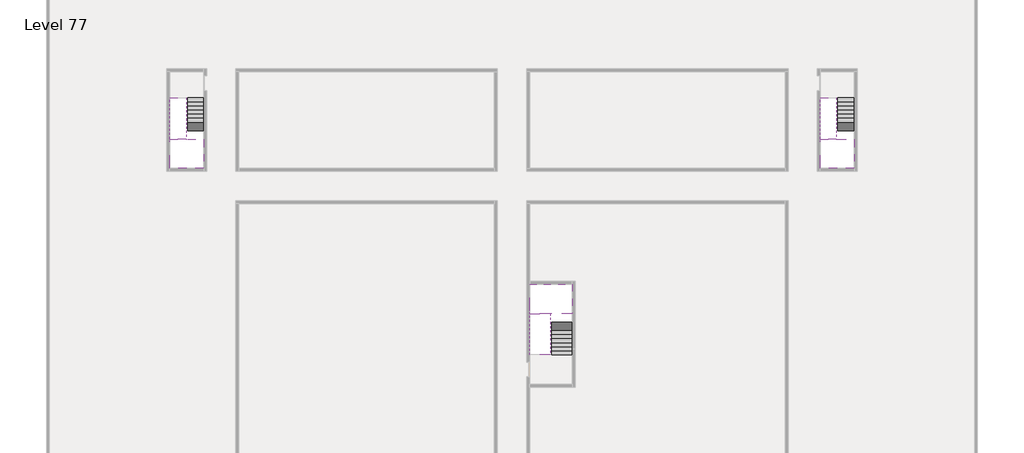
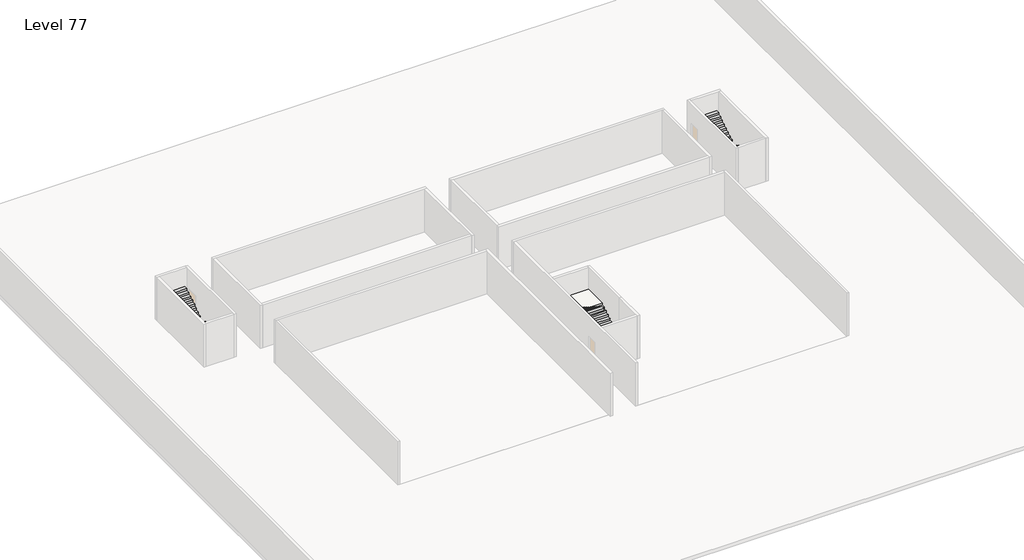
# One storey, part 2 of 2: 6 stair flights, 3 slabs.
"""IFC4 building model written with IfcOpenShell, lengths in millimetres."""

from ifc_helpers import new_model, si_unit, origin, place, context, project, spatial, faceted_brep, element, save

model = new_model("IFC4")

# Units and contexts
model_context = context("Model", 3, world=origin())
ifc_project = project(units=[si_unit("LENGTHUNIT", "METRE", prefix="MILLI")], contexts=[model_context])

# Site, building, storey
site = spatial("IfcSite", under=ifc_project)
building = spatial("IfcBuilding", under=site)
storey = spatial("IfcBuildingStorey", under=building, Name="Level 77", Elevation=288800.0)

# Slabs
placement = place(None, origin())
element("IfcSlab", 1, at=placement, inside=storey, context=model_context, shape_type="Brep", body=[
    faceted_brep([(3190.1058784, -28518.09644, 290700.0), (2090.1058784, -28518.09644, 290700.0), (1990.1058784, -28518.09644, 290700.0), (890.1058784, -28518.09644, 290700.0), (890.1058784, -28718.7100038, 290700.0), (890.1058784, -30518.09644, 290700.0), (3190.1058784, -30518.09644, 290700.0), (3190.1058784, -28597.4828763, 290700.0), (3190.1058784, -28518.09644, 290527.2727273), (3190.1058784, -28518.09644, 290351.0278478), (2090.1058784, -28518.09644, 290351.0278478), (2090.1058784, -28518.09644, 290400.0), (1990.1058784, -28518.09644, 290400.0), (1990.1058784, -28518.09644, 290523.7551205), (890.1058784, -28518.09644, 290523.7551205), (890.1058784, -28718.7100038, 290400.0), (890.1058784, -30518.09644, 290400.0), (3190.1058784, -30518.09644, 290400.0), (3190.1058784, -28597.4828763, 290400.0), (1990.1058784, -28718.7100038, 290400.0), (2090.1058784, -28597.4828763, 290400.0)], [[[0, 1, 2, 3, 4, 5, 6, 7]], [[1, 0, 8, 9, 10, 11]], [[2, 1, 11, 12, 13]], [[3, 2, 13, 14]], [[3, 14, 15, 16, 5, 4]], [[6, 5, 16, 17]], [[9, 8, 0, 7, 6, 17, 18]], [[19, 12, 11, 20, 18, 17, 16, 15]], [[12, 19, 13]], [[18, 20, 10, 9]], [[20, 11, 10]], [[19, 15, 14, 13]]]),
])
element("IfcSlab", 2, at=placement, inside=storey, context=model_context, shape_type="Brep", body=[
    faceted_brep([(47490.1058784, -28518.09644, 290700.0), (46390.1058784, -28518.09644, 290700.0), (46290.1058784, -28518.09644, 290700.0), (45190.1058784, -28518.09644, 290700.0), (45190.1058784, -28718.7100038, 290700.0), (45190.1058784, -30518.09644, 290700.0), (47490.1058784, -30518.09644, 290700.0), (47490.1058784, -28597.4828763, 290700.0), (47490.1058784, -28518.09644, 290527.2727273), (47490.1058784, -28518.09644, 290351.0278478), (46390.1058784, -28518.09644, 290351.0278478), (46390.1058784, -28518.09644, 290400.0), (46290.1058784, -28518.09644, 290400.0), (46290.1058784, -28518.09644, 290523.7551205), (45190.1058784, -28518.09644, 290523.7551205), (45190.1058784, -28718.7100038, 290400.0), (45190.1058784, -30518.09644, 290400.0), (47490.1058784, -30518.09644, 290400.0), (47490.1058784, -28597.4828763, 290400.0), (46290.1058784, -28718.7100038, 290400.0), (46390.1058784, -28597.4828763, 290400.0)], [[[0, 1, 2, 3, 4, 5, 6, 7]], [[1, 0, 8, 9, 10, 11]], [[2, 1, 11, 12, 13]], [[3, 2, 13, 14]], [[3, 14, 15, 16, 5, 4]], [[6, 5, 16, 17]], [[9, 8, 0, 7, 6, 17, 18]], [[19, 12, 11, 20, 18, 17, 16, 15]], [[12, 19, 13]], [[18, 20, 10, 9]], [[20, 11, 10]], [[19, 15, 14, 13]]]),
])
element("IfcSlab", 3, at=placement, inside=storey, context=model_context, shape_type="Brep", body=[
    faceted_brep([(26890.1058784, -40418.09644, 290700.0), (28290.1058784, -40418.09644, 290700.0), (28290.1058784, -40338.7100038, 290700.0), (28290.1058784, -38418.09644, 290700.0), (25390.1058784, -38418.09644, 290700.0), (25390.1058784, -40217.4828763, 290700.0), (25390.1058784, -40418.09644, 290700.0), (26790.1058784, -40418.09644, 290700.0), (26890.1058784, -40418.09644, 290400.0), (26890.1058784, -40418.09644, 290351.0278478), (28290.1058784, -40418.09644, 290351.0278478), (28290.1058784, -40418.09644, 290527.2727273), (28290.1058784, -40338.7100038, 290400.0), (28290.1058784, -38418.09644, 290400.0), (25390.1058784, -38418.09644, 290400.0), (25390.1058784, -40217.4828763, 290400.0), (25390.1058784, -40418.09644, 290523.7551205), (26790.1058784, -40418.09644, 290523.7551205), (26790.1058784, -40418.09644, 290400.0), (26790.1058784, -40217.4828763, 290400.0), (26890.1058784, -40338.7100038, 290400.0)], [[[0, 1, 2, 3, 4, 5, 6, 7]], [[1, 0, 8, 9, 10, 11]], [[1, 11, 10, 12, 13, 3, 2]], [[4, 3, 13, 14]], [[4, 14, 15, 16, 6, 5]], [[7, 6, 16, 17]], [[0, 7, 17, 18, 8]], [[18, 19, 15, 14, 13, 12, 20, 8]], [[19, 18, 17]], [[20, 12, 10, 9]], [[8, 20, 9]], [[15, 19, 17, 16]]]),
])

# Stair flights
element("IfcStairFlight", 4, at=placement, inside=storey, context=model_context, shape_type="Brep", body=[
    faceted_brep([(3190.1058784, -25998.09644, 288972.7272727), (3190.1058784, -25718.09644, 288972.7272727), (2090.1058784, -25718.09644, 288972.7272727), (2090.1058784, -25998.09644, 288972.7272727), (3190.1058784, -25998.09644, 288800.0), (3190.1058784, -25718.09644, 288800.0), (2090.1058784, -25718.09644, 288800.0), (2090.1058784, -25998.09644, 288800.0), (3190.1058784, -26278.09644, 289145.4545455), (3190.1058784, -25998.09644, 289145.4545455), (2090.1058784, -25998.09644, 289145.4545455), (2090.1058784, -26278.09644, 289145.4545455), (3190.1058784, -26278.09644, 288969.209666), (3190.1058784, -26003.7986657, 288800.0), (2090.1058784, -26003.7986657, 288800.0), (2090.1058784, -26278.09644, 288969.209666), (3190.1058784, -26558.09644, 289318.1818182), (3190.1058784, -26278.09644, 289318.1818182), (2090.1058784, -26278.09644, 289318.1818182), (2090.1058784, -26558.09644, 289318.1818182), (3190.1058784, -26558.09644, 289141.9369387), (2090.1058784, -26558.09644, 289141.9369387), (3190.1058784, -26838.09644, 289490.9090909), (3190.1058784, -26558.09644, 289490.9090909), (2090.1058784, -26558.09644, 289490.9090909), (2090.1058784, -26838.09644, 289490.9090909), (3190.1058784, -26838.09644, 289314.6642114), (2090.1058784, -26838.09644, 289314.6642114), (3190.1058784, -27118.09644, 289663.6363636), (3190.1058784, -26838.09644, 289663.6363636), (2090.1058784, -26838.09644, 289663.6363636), (2090.1058784, -27118.09644, 289663.6363636), (3190.1058784, -27118.09644, 289487.3914841), (2090.1058784, -27118.09644, 289487.3914841), (3190.1058784, -27398.09644, 289836.3636364), (3190.1058784, -27118.09644, 289836.3636364), (2090.1058784, -27118.09644, 289836.3636364), (2090.1058784, -27398.09644, 289836.3636364), (3190.1058784, -27398.09644, 289660.1187569), (2090.1058784, -27398.09644, 289660.1187569), (3190.1058784, -27678.09644, 290009.0909091), (3190.1058784, -27398.09644, 290009.0909091), (2090.1058784, -27398.09644, 290009.0909091), (2090.1058784, -27678.09644, 290009.0909091), (3190.1058784, -27678.09644, 289832.8460296), (2090.1058784, -27678.09644, 289832.8460296), (3190.1058784, -27958.09644, 290181.8181818), (3190.1058784, -27678.09644, 290181.8181818), (2090.1058784, -27678.09644, 290181.8181818), (2090.1058784, -27958.09644, 290181.8181818), (3190.1058784, -27958.09644, 290005.5733023), (2090.1058784, -27958.09644, 290005.5733023), (3190.1058784, -28238.09644, 290354.5454545), (3190.1058784, -27958.09644, 290354.5454545), (2090.1058784, -27958.09644, 290354.5454545), (2090.1058784, -28238.09644, 290354.5454545), (3190.1058784, -28238.09644, 290178.3005751), (2090.1058784, -28238.09644, 290178.3005751), (3190.1058784, -28518.09644, 290527.2727273), (3190.1058784, -28238.09644, 290527.2727273), (2090.1058784, -28238.09644, 290527.2727273), (2090.1058784, -28518.09644, 290527.2727273), (3190.1058784, -28518.09644, 290351.0278478), (2090.1058784, -28518.09644, 290351.0278478), (2090.1058784, -28518.09644, 290400.0)], [[[0, 1, 2, 3]], [[1, 0, 4, 5]], [[2, 1, 5, 6]], [[3, 2, 6, 7]], [[8, 9, 10, 11]], [[4, 0, 9, 8, 12, 13]], [[0, 3, 10, 9]], [[3, 7, 14, 15, 11, 10]], [[16, 17, 18, 19]], [[17, 16, 20, 12, 8]], [[8, 11, 18, 17]], [[19, 18, 11, 15, 21]], [[22, 23, 24, 25]], [[23, 22, 26, 20, 16]], [[16, 19, 24, 23]], [[25, 24, 19, 21, 27]], [[28, 29, 30, 31]], [[29, 28, 32, 26, 22]], [[22, 25, 30, 29]], [[31, 30, 25, 27, 33]], [[34, 35, 36, 37]], [[35, 34, 38, 32, 28]], [[28, 31, 36, 35]], [[37, 36, 31, 33, 39]], [[40, 41, 42, 43]], [[41, 40, 44, 38, 34]], [[34, 37, 42, 41]], [[43, 42, 37, 39, 45]], [[46, 47, 48, 49]], [[47, 46, 50, 44, 40]], [[40, 43, 48, 47]], [[49, 48, 43, 45, 51]], [[52, 53, 54, 55]], [[53, 52, 56, 50, 46]], [[46, 49, 54, 53]], [[55, 54, 49, 51, 57]], [[58, 59, 60, 61]], [[59, 58, 62, 56, 52]], [[52, 55, 60, 59]], [[61, 60, 55, 57, 63, 64]], [[58, 61, 64, 63, 62]], [[5, 4, 13, 14, 7, 6]], [[14, 13, 12, 20, 26, 32, 38, 44, 50, 56, 62, 63, 57, 51, 45, 39, 33, 27, 21, 15]]]),
])
element("IfcStairFlight", 5, at=placement, inside=storey, context=model_context, shape_type="Brep", body=[
    faceted_brep([(890.1058784, -28238.09644, 290872.7272727), (890.1058784, -28518.09644, 290872.7272727), (1990.1058784, -28518.09644, 290872.7272727), (1990.1058784, -28238.09644, 290872.7272727), (890.1058784, -28238.09644, 290696.4823932), (890.1058784, -28518.09644, 290523.7551205), (890.1058784, -28518.09644, 290700.0), (1990.1058784, -28518.09644, 290523.7551205), (1990.1058784, -28238.09644, 290696.4823932), (890.1058784, -27958.09644, 291045.4545455), (890.1058784, -28238.09644, 291045.4545455), (1990.1058784, -28238.09644, 291045.4545455), (1990.1058784, -27958.09644, 291045.4545455), (890.1058784, -27958.09644, 290869.209666), (1990.1058784, -27958.09644, 290869.209666), (890.1058784, -27678.09644, 291218.1818182), (890.1058784, -27958.09644, 291218.1818182), (1990.1058784, -27958.09644, 291218.1818182), (1990.1058784, -27678.09644, 291218.1818182), (890.1058784, -27678.09644, 291041.9369387), (1990.1058784, -27678.09644, 291041.9369387), (890.1058784, -27398.09644, 291390.9090909), (890.1058784, -27678.09644, 291390.9090909), (1990.1058784, -27678.09644, 291390.9090909), (1990.1058784, -27398.09644, 291390.9090909), (890.1058784, -27398.09644, 291214.6642114), (1990.1058784, -27398.09644, 291214.6642114), (890.1058784, -27118.09644, 291563.6363636), (890.1058784, -27398.09644, 291563.6363636), (1990.1058784, -27398.09644, 291563.6363636), (1990.1058784, -27118.09644, 291563.6363636), (890.1058784, -27118.09644, 291387.3914841), (1990.1058784, -27118.09644, 291387.3914841), (890.1058784, -26838.09644, 291736.3636364), (890.1058784, -27118.09644, 291736.3636364), (1990.1058784, -27118.09644, 291736.3636364), (1990.1058784, -26838.09644, 291736.3636364), (890.1058784, -26838.09644, 291560.1187569), (1990.1058784, -26838.09644, 291560.1187569), (890.1058784, -26558.09644, 291909.0909091), (890.1058784, -26838.09644, 291909.0909091), (1990.1058784, -26838.09644, 291909.0909091), (1990.1058784, -26558.09644, 291909.0909091), (890.1058784, -26558.09644, 291732.8460296), (1990.1058784, -26558.09644, 291732.8460296), (890.1058784, -26278.09644, 292081.8181818), (890.1058784, -26558.09644, 292081.8181818), (1990.1058784, -26558.09644, 292081.8181818), (1990.1058784, -26278.09644, 292081.8181818), (890.1058784, -26278.09644, 291905.5733023), (1990.1058784, -26278.09644, 291905.5733023), (890.1058784, -25998.09644, 292254.5454545), (890.1058784, -26278.09644, 292254.5454545), (1990.1058784, -26278.09644, 292254.5454545), (1990.1058784, -25998.09644, 292254.5454545), (890.1058784, -25998.09644, 292078.3005751), (1990.1058784, -25998.09644, 292078.3005751), (890.1058784, -25718.09644, 292427.2727273), (890.1058784, -25998.09644, 292427.2727273), (1990.1058784, -25998.09644, 292427.2727273), (1990.1058784, -25718.09644, 292427.2727273), (890.1058784, -25718.09644, 292251.0278478), (1990.1058784, -25718.09644, 292251.0278478)], [[[0, 1, 2, 3]], [[1, 0, 4, 5, 6]], [[2, 1, 6, 5, 7]], [[3, 2, 7, 8]], [[9, 10, 11, 12]], [[10, 9, 13, 4, 0]], [[11, 10, 0, 3]], [[12, 11, 3, 8, 14]], [[15, 16, 17, 18]], [[16, 15, 19, 13, 9]], [[17, 16, 9, 12]], [[18, 17, 12, 14, 20]], [[21, 22, 23, 24]], [[22, 21, 25, 19, 15]], [[23, 22, 15, 18]], [[24, 23, 18, 20, 26]], [[27, 28, 29, 30]], [[28, 27, 31, 25, 21]], [[29, 28, 21, 24]], [[30, 29, 24, 26, 32]], [[33, 34, 35, 36]], [[34, 33, 37, 31, 27]], [[35, 34, 27, 30]], [[36, 35, 30, 32, 38]], [[39, 40, 41, 42]], [[40, 39, 43, 37, 33]], [[41, 40, 33, 36]], [[42, 41, 36, 38, 44]], [[45, 46, 47, 48]], [[46, 45, 49, 43, 39]], [[47, 46, 39, 42]], [[48, 47, 42, 44, 50]], [[51, 52, 53, 54]], [[52, 51, 55, 49, 45]], [[53, 52, 45, 48]], [[54, 53, 48, 50, 56]], [[57, 58, 59, 60]], [[58, 57, 61, 55, 51]], [[59, 58, 51, 54]], [[60, 59, 54, 56, 62]], [[57, 60, 62, 61]], [[5, 4, 13, 19, 25, 31, 37, 43, 49, 55, 61, 62, 56, 50, 44, 38, 32, 26, 20, 14, 8, 7]]]),
])
element("IfcStairFlight", 6, at=placement, inside=storey, context=model_context, shape_type="Brep", body=[
    faceted_brep([(47490.1058784, -25998.09644, 288972.7272727), (47490.1058784, -25718.09644, 288972.7272727), (46390.1058784, -25718.09644, 288972.7272727), (46390.1058784, -25998.09644, 288972.7272727), (47490.1058784, -25998.09644, 288800.0), (47490.1058784, -25718.09644, 288800.0), (46390.1058784, -25718.09644, 288800.0), (46390.1058784, -25998.09644, 288800.0), (47490.1058784, -26278.09644, 289145.4545455), (47490.1058784, -25998.09644, 289145.4545455), (46390.1058784, -25998.09644, 289145.4545455), (46390.1058784, -26278.09644, 289145.4545455), (47490.1058784, -26278.09644, 288969.209666), (47490.1058784, -26003.7986657, 288800.0), (46390.1058784, -26003.7986657, 288800.0), (46390.1058784, -26278.09644, 288969.209666), (47490.1058784, -26558.09644, 289318.1818182), (47490.1058784, -26278.09644, 289318.1818182), (46390.1058784, -26278.09644, 289318.1818182), (46390.1058784, -26558.09644, 289318.1818182), (47490.1058784, -26558.09644, 289141.9369387), (46390.1058784, -26558.09644, 289141.9369387), (47490.1058784, -26838.09644, 289490.9090909), (47490.1058784, -26558.09644, 289490.9090909), (46390.1058784, -26558.09644, 289490.9090909), (46390.1058784, -26838.09644, 289490.9090909), (47490.1058784, -26838.09644, 289314.6642114), (46390.1058784, -26838.09644, 289314.6642114), (47490.1058784, -27118.09644, 289663.6363636), (47490.1058784, -26838.09644, 289663.6363636), (46390.1058784, -26838.09644, 289663.6363636), (46390.1058784, -27118.09644, 289663.6363636), (47490.1058784, -27118.09644, 289487.3914841), (46390.1058784, -27118.09644, 289487.3914841), (47490.1058784, -27398.09644, 289836.3636364), (47490.1058784, -27118.09644, 289836.3636364), (46390.1058784, -27118.09644, 289836.3636364), (46390.1058784, -27398.09644, 289836.3636364), (47490.1058784, -27398.09644, 289660.1187569), (46390.1058784, -27398.09644, 289660.1187569), (47490.1058784, -27678.09644, 290009.0909091), (47490.1058784, -27398.09644, 290009.0909091), (46390.1058784, -27398.09644, 290009.0909091), (46390.1058784, -27678.09644, 290009.0909091), (47490.1058784, -27678.09644, 289832.8460296), (46390.1058784, -27678.09644, 289832.8460296), (47490.1058784, -27958.09644, 290181.8181818), (47490.1058784, -27678.09644, 290181.8181818), (46390.1058784, -27678.09644, 290181.8181818), (46390.1058784, -27958.09644, 290181.8181818), (47490.1058784, -27958.09644, 290005.5733023), (46390.1058784, -27958.09644, 290005.5733023), (47490.1058784, -28238.09644, 290354.5454545), (47490.1058784, -27958.09644, 290354.5454545), (46390.1058784, -27958.09644, 290354.5454545), (46390.1058784, -28238.09644, 290354.5454545), (47490.1058784, -28238.09644, 290178.3005751), (46390.1058784, -28238.09644, 290178.3005751), (47490.1058784, -28518.09644, 290527.2727273), (47490.1058784, -28238.09644, 290527.2727273), (46390.1058784, -28238.09644, 290527.2727273), (46390.1058784, -28518.09644, 290527.2727273), (47490.1058784, -28518.09644, 290351.0278478), (46390.1058784, -28518.09644, 290351.0278478), (46390.1058784, -28518.09644, 290400.0)], [[[0, 1, 2, 3]], [[1, 0, 4, 5]], [[2, 1, 5, 6]], [[3, 2, 6, 7]], [[8, 9, 10, 11]], [[4, 0, 9, 8, 12, 13]], [[0, 3, 10, 9]], [[3, 7, 14, 15, 11, 10]], [[16, 17, 18, 19]], [[17, 16, 20, 12, 8]], [[8, 11, 18, 17]], [[19, 18, 11, 15, 21]], [[22, 23, 24, 25]], [[23, 22, 26, 20, 16]], [[16, 19, 24, 23]], [[25, 24, 19, 21, 27]], [[28, 29, 30, 31]], [[29, 28, 32, 26, 22]], [[22, 25, 30, 29]], [[31, 30, 25, 27, 33]], [[34, 35, 36, 37]], [[35, 34, 38, 32, 28]], [[28, 31, 36, 35]], [[37, 36, 31, 33, 39]], [[40, 41, 42, 43]], [[41, 40, 44, 38, 34]], [[34, 37, 42, 41]], [[43, 42, 37, 39, 45]], [[46, 47, 48, 49]], [[47, 46, 50, 44, 40]], [[40, 43, 48, 47]], [[49, 48, 43, 45, 51]], [[52, 53, 54, 55]], [[53, 52, 56, 50, 46]], [[46, 49, 54, 53]], [[55, 54, 49, 51, 57]], [[58, 59, 60, 61]], [[59, 58, 62, 56, 52]], [[52, 55, 60, 59]], [[61, 60, 55, 57, 63, 64]], [[58, 61, 64, 63, 62]], [[5, 4, 13, 14, 7, 6]], [[14, 13, 12, 20, 26, 32, 38, 44, 50, 56, 62, 63, 57, 51, 45, 39, 33, 27, 21, 15]]]),
])
element("IfcStairFlight", 7, at=placement, inside=storey, context=model_context, shape_type="Brep", body=[
    faceted_brep([(45190.1058784, -28238.09644, 290872.7272727), (45190.1058784, -28518.09644, 290872.7272727), (46290.1058784, -28518.09644, 290872.7272727), (46290.1058784, -28238.09644, 290872.7272727), (45190.1058784, -28238.09644, 290696.4823932), (45190.1058784, -28518.09644, 290523.7551205), (45190.1058784, -28518.09644, 290700.0), (46290.1058784, -28518.09644, 290523.7551205), (46290.1058784, -28238.09644, 290696.4823932), (45190.1058784, -27958.09644, 291045.4545455), (45190.1058784, -28238.09644, 291045.4545455), (46290.1058784, -28238.09644, 291045.4545455), (46290.1058784, -27958.09644, 291045.4545455), (45190.1058784, -27958.09644, 290869.209666), (46290.1058784, -27958.09644, 290869.209666), (45190.1058784, -27678.09644, 291218.1818182), (45190.1058784, -27958.09644, 291218.1818182), (46290.1058784, -27958.09644, 291218.1818182), (46290.1058784, -27678.09644, 291218.1818182), (45190.1058784, -27678.09644, 291041.9369387), (46290.1058784, -27678.09644, 291041.9369387), (45190.1058784, -27398.09644, 291390.9090909), (45190.1058784, -27678.09644, 291390.9090909), (46290.1058784, -27678.09644, 291390.9090909), (46290.1058784, -27398.09644, 291390.9090909), (45190.1058784, -27398.09644, 291214.6642114), (46290.1058784, -27398.09644, 291214.6642114), (45190.1058784, -27118.09644, 291563.6363636), (45190.1058784, -27398.09644, 291563.6363636), (46290.1058784, -27398.09644, 291563.6363636), (46290.1058784, -27118.09644, 291563.6363636), (45190.1058784, -27118.09644, 291387.3914841), (46290.1058784, -27118.09644, 291387.3914841), (45190.1058784, -26838.09644, 291736.3636364), (45190.1058784, -27118.09644, 291736.3636364), (46290.1058784, -27118.09644, 291736.3636364), (46290.1058784, -26838.09644, 291736.3636364), (45190.1058784, -26838.09644, 291560.1187569), (46290.1058784, -26838.09644, 291560.1187569), (45190.1058784, -26558.09644, 291909.0909091), (45190.1058784, -26838.09644, 291909.0909091), (46290.1058784, -26838.09644, 291909.0909091), (46290.1058784, -26558.09644, 291909.0909091), (45190.1058784, -26558.09644, 291732.8460296), (46290.1058784, -26558.09644, 291732.8460296), (45190.1058784, -26278.09644, 292081.8181818), (45190.1058784, -26558.09644, 292081.8181818), (46290.1058784, -26558.09644, 292081.8181818), (46290.1058784, -26278.09644, 292081.8181818), (45190.1058784, -26278.09644, 291905.5733023), (46290.1058784, -26278.09644, 291905.5733023), (45190.1058784, -25998.09644, 292254.5454545), (45190.1058784, -26278.09644, 292254.5454545), (46290.1058784, -26278.09644, 292254.5454545), (46290.1058784, -25998.09644, 292254.5454545), (45190.1058784, -25998.09644, 292078.3005751), (46290.1058784, -25998.09644, 292078.3005751), (45190.1058784, -25718.09644, 292427.2727273), (45190.1058784, -25998.09644, 292427.2727273), (46290.1058784, -25998.09644, 292427.2727273), (46290.1058784, -25718.09644, 292427.2727273), (45190.1058784, -25718.09644, 292251.0278478), (46290.1058784, -25718.09644, 292251.0278478)], [[[0, 1, 2, 3]], [[1, 0, 4, 5, 6]], [[2, 1, 6, 5, 7]], [[3, 2, 7, 8]], [[9, 10, 11, 12]], [[10, 9, 13, 4, 0]], [[11, 10, 0, 3]], [[12, 11, 3, 8, 14]], [[15, 16, 17, 18]], [[16, 15, 19, 13, 9]], [[17, 16, 9, 12]], [[18, 17, 12, 14, 20]], [[21, 22, 23, 24]], [[22, 21, 25, 19, 15]], [[23, 22, 15, 18]], [[24, 23, 18, 20, 26]], [[27, 28, 29, 30]], [[28, 27, 31, 25, 21]], [[29, 28, 21, 24]], [[30, 29, 24, 26, 32]], [[33, 34, 35, 36]], [[34, 33, 37, 31, 27]], [[35, 34, 27, 30]], [[36, 35, 30, 32, 38]], [[39, 40, 41, 42]], [[40, 39, 43, 37, 33]], [[41, 40, 33, 36]], [[42, 41, 36, 38, 44]], [[45, 46, 47, 48]], [[46, 45, 49, 43, 39]], [[47, 46, 39, 42]], [[48, 47, 42, 44, 50]], [[51, 52, 53, 54]], [[52, 51, 55, 49, 45]], [[53, 52, 45, 48]], [[54, 53, 48, 50, 56]], [[57, 58, 59, 60]], [[58, 57, 61, 55, 51]], [[59, 58, 51, 54]], [[60, 59, 54, 56, 62]], [[57, 60, 62, 61]], [[5, 4, 13, 19, 25, 31, 37, 43, 49, 55, 61, 62, 56, 50, 44, 38, 32, 26, 20, 14, 8, 7]]]),
])
element("IfcStairFlight", 8, at=placement, inside=storey, context=model_context, shape_type="Brep", body=[
    faceted_brep([(26890.1058784, -42938.09644, 288972.7272727), (26890.1058784, -43218.09644, 288972.7272727), (28290.1058784, -43218.09644, 288972.7272727), (28290.1058784, -42938.09644, 288972.7272727), (26890.1058784, -42938.09644, 288800.0), (26890.1058784, -43218.09644, 288800.0), (28290.1058784, -43218.09644, 288800.0), (28290.1058784, -42938.09644, 288800.0), (26890.1058784, -42658.09644, 289145.4545455), (26890.1058784, -42938.09644, 289145.4545455), (28290.1058784, -42938.09644, 289145.4545455), (28290.1058784, -42658.09644, 289145.4545455), (26890.1058784, -42658.09644, 288969.209666), (26890.1058784, -42932.3942143, 288800.0), (28290.1058784, -42932.3942143, 288800.0), (28290.1058784, -42658.09644, 288969.209666), (26890.1058784, -42378.09644, 289318.1818182), (26890.1058784, -42658.09644, 289318.1818182), (28290.1058784, -42658.09644, 289318.1818182), (28290.1058784, -42378.09644, 289318.1818182), (26890.1058784, -42378.09644, 289141.9369387), (28290.1058784, -42378.09644, 289141.9369387), (26890.1058784, -42098.09644, 289490.9090909), (26890.1058784, -42378.09644, 289490.9090909), (28290.1058784, -42378.09644, 289490.9090909), (28290.1058784, -42098.09644, 289490.9090909), (26890.1058784, -42098.09644, 289314.6642114), (28290.1058784, -42098.09644, 289314.6642114), (26890.1058784, -41818.09644, 289663.6363636), (26890.1058784, -42098.09644, 289663.6363636), (28290.1058784, -42098.09644, 289663.6363636), (28290.1058784, -41818.09644, 289663.6363636), (26890.1058784, -41818.09644, 289487.3914841), (28290.1058784, -41818.09644, 289487.3914841), (26890.1058784, -41538.09644, 289836.3636364), (26890.1058784, -41818.09644, 289836.3636364), (28290.1058784, -41818.09644, 289836.3636364), (28290.1058784, -41538.09644, 289836.3636364), (26890.1058784, -41538.09644, 289660.1187569), (28290.1058784, -41538.09644, 289660.1187569), (26890.1058784, -41258.09644, 290009.0909091), (26890.1058784, -41538.09644, 290009.0909091), (28290.1058784, -41538.09644, 290009.0909091), (28290.1058784, -41258.09644, 290009.0909091), (26890.1058784, -41258.09644, 289832.8460296), (28290.1058784, -41258.09644, 289832.8460296), (26890.1058784, -40978.09644, 290181.8181818), (26890.1058784, -41258.09644, 290181.8181818), (28290.1058784, -41258.09644, 290181.8181818), (28290.1058784, -40978.09644, 290181.8181818), (26890.1058784, -40978.09644, 290005.5733023), (28290.1058784, -40978.09644, 290005.5733023), (26890.1058784, -40698.09644, 290354.5454545), (26890.1058784, -40978.09644, 290354.5454545), (28290.1058784, -40978.09644, 290354.5454545), (28290.1058784, -40698.09644, 290354.5454545), (26890.1058784, -40698.09644, 290178.3005751), (28290.1058784, -40698.09644, 290178.3005751), (26890.1058784, -40418.09644, 290527.2727273), (26890.1058784, -40698.09644, 290527.2727273), (28290.1058784, -40698.09644, 290527.2727273), (28290.1058784, -40418.09644, 290527.2727273), (26890.1058784, -40418.09644, 290400.0), (26890.1058784, -40418.09644, 290351.0278478), (28290.1058784, -40418.09644, 290351.0278478)], [[[0, 1, 2, 3]], [[1, 0, 4, 5]], [[2, 1, 5, 6]], [[3, 2, 6, 7]], [[8, 9, 10, 11]], [[4, 0, 9, 8, 12, 13]], [[0, 3, 10, 9]], [[3, 7, 14, 15, 11, 10]], [[16, 17, 18, 19]], [[17, 16, 20, 12, 8]], [[8, 11, 18, 17]], [[19, 18, 11, 15, 21]], [[22, 23, 24, 25]], [[23, 22, 26, 20, 16]], [[16, 19, 24, 23]], [[25, 24, 19, 21, 27]], [[28, 29, 30, 31]], [[29, 28, 32, 26, 22]], [[22, 25, 30, 29]], [[31, 30, 25, 27, 33]], [[34, 35, 36, 37]], [[35, 34, 38, 32, 28]], [[28, 31, 36, 35]], [[37, 36, 31, 33, 39]], [[40, 41, 42, 43]], [[41, 40, 44, 38, 34]], [[34, 37, 42, 41]], [[43, 42, 37, 39, 45]], [[46, 47, 48, 49]], [[47, 46, 50, 44, 40]], [[40, 43, 48, 47]], [[49, 48, 43, 45, 51]], [[52, 53, 54, 55]], [[53, 52, 56, 50, 46]], [[46, 49, 54, 53]], [[55, 54, 49, 51, 57]], [[58, 59, 60, 61]], [[59, 58, 62, 63, 56, 52]], [[52, 55, 60, 59]], [[61, 60, 55, 57, 64]], [[58, 61, 64, 63, 62]], [[5, 4, 13, 14, 7, 6]], [[14, 13, 12, 20, 26, 32, 38, 44, 50, 56, 63, 64, 57, 51, 45, 39, 33, 27, 21, 15]]]),
])
element("IfcStairFlight", 9, at=placement, inside=storey, context=model_context, shape_type="Brep", body=[
    faceted_brep([(26790.1058784, -40698.09644, 290872.7272727), (26790.1058784, -40418.09644, 290872.7272727), (25390.1058784, -40418.09644, 290872.7272727), (25390.1058784, -40698.09644, 290872.7272727), (26790.1058784, -40698.09644, 290696.4823932), (26790.1058784, -40418.09644, 290523.7551205), (25390.1058784, -40418.09644, 290523.7551205), (25390.1058784, -40418.09644, 290700.0), (25390.1058784, -40698.09644, 290696.4823932), (26790.1058784, -40978.09644, 291045.4545455), (26790.1058784, -40698.09644, 291045.4545455), (25390.1058784, -40698.09644, 291045.4545455), (25390.1058784, -40978.09644, 291045.4545455), (26790.1058784, -40978.09644, 290869.209666), (25390.1058784, -40978.09644, 290869.209666), (26790.1058784, -41258.09644, 291218.1818182), (26790.1058784, -40978.09644, 291218.1818182), (25390.1058784, -40978.09644, 291218.1818182), (25390.1058784, -41258.09644, 291218.1818182), (26790.1058784, -41258.09644, 291041.9369387), (25390.1058784, -41258.09644, 291041.9369387), (26790.1058784, -41538.09644, 291390.9090909), (26790.1058784, -41258.09644, 291390.9090909), (25390.1058784, -41258.09644, 291390.9090909), (25390.1058784, -41538.09644, 291390.9090909), (26790.1058784, -41538.09644, 291214.6642114), (25390.1058784, -41538.09644, 291214.6642114), (26790.1058784, -41818.09644, 291563.6363636), (26790.1058784, -41538.09644, 291563.6363636), (25390.1058784, -41538.09644, 291563.6363636), (25390.1058784, -41818.09644, 291563.6363636), (26790.1058784, -41818.09644, 291387.3914841), (25390.1058784, -41818.09644, 291387.3914841), (26790.1058784, -42098.09644, 291736.3636364), (26790.1058784, -41818.09644, 291736.3636364), (25390.1058784, -41818.09644, 291736.3636364), (25390.1058784, -42098.09644, 291736.3636364), (26790.1058784, -42098.09644, 291560.1187569), (25390.1058784, -42098.09644, 291560.1187569), (26790.1058784, -42378.09644, 291909.0909091), (26790.1058784, -42098.09644, 291909.0909091), (25390.1058784, -42098.09644, 291909.0909091), (25390.1058784, -42378.09644, 291909.0909091), (26790.1058784, -42378.09644, 291732.8460296), (25390.1058784, -42378.09644, 291732.8460296), (26790.1058784, -42658.09644, 292081.8181818), (26790.1058784, -42378.09644, 292081.8181818), (25390.1058784, -42378.09644, 292081.8181818), (25390.1058784, -42658.09644, 292081.8181818), (26790.1058784, -42658.09644, 291905.5733023), (25390.1058784, -42658.09644, 291905.5733023), (26790.1058784, -42938.09644, 292254.5454545), (26790.1058784, -42658.09644, 292254.5454545), (25390.1058784, -42658.09644, 292254.5454545), (25390.1058784, -42938.09644, 292254.5454545), (26790.1058784, -42938.09644, 292078.3005751), (25390.1058784, -42938.09644, 292078.3005751), (26790.1058784, -43218.09644, 292427.2727273), (26790.1058784, -42938.09644, 292427.2727273), (25390.1058784, -42938.09644, 292427.2727273), (25390.1058784, -43218.09644, 292427.2727273), (26790.1058784, -43218.09644, 292251.0278478), (25390.1058784, -43218.09644, 292251.0278478)], [[[0, 1, 2, 3]], [[1, 0, 4, 5]], [[2, 1, 5, 6, 7]], [[3, 2, 7, 6, 8]], [[9, 10, 11, 12]], [[10, 9, 13, 4, 0]], [[11, 10, 0, 3]], [[12, 11, 3, 8, 14]], [[15, 16, 17, 18]], [[16, 15, 19, 13, 9]], [[17, 16, 9, 12]], [[18, 17, 12, 14, 20]], [[21, 22, 23, 24]], [[22, 21, 25, 19, 15]], [[23, 22, 15, 18]], [[24, 23, 18, 20, 26]], [[27, 28, 29, 30]], [[28, 27, 31, 25, 21]], [[29, 28, 21, 24]], [[30, 29, 24, 26, 32]], [[33, 34, 35, 36]], [[34, 33, 37, 31, 27]], [[35, 34, 27, 30]], [[36, 35, 30, 32, 38]], [[39, 40, 41, 42]], [[40, 39, 43, 37, 33]], [[41, 40, 33, 36]], [[42, 41, 36, 38, 44]], [[45, 46, 47, 48]], [[46, 45, 49, 43, 39]], [[47, 46, 39, 42]], [[48, 47, 42, 44, 50]], [[51, 52, 53, 54]], [[52, 51, 55, 49, 45]], [[53, 52, 45, 48]], [[54, 53, 48, 50, 56]], [[57, 58, 59, 60]], [[58, 57, 61, 55, 51]], [[59, 58, 51, 54]], [[60, 59, 54, 56, 62]], [[57, 60, 62, 61]], [[5, 4, 13, 19, 25, 31, 37, 43, 49, 55, 61, 62, 56, 50, 44, 38, 32, 26, 20, 14, 8, 6]]]),
])

save(model, "model.ifc")
